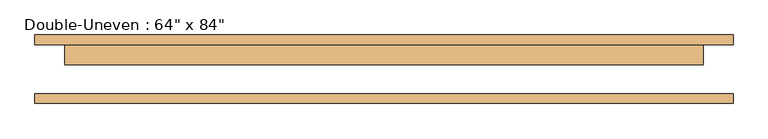
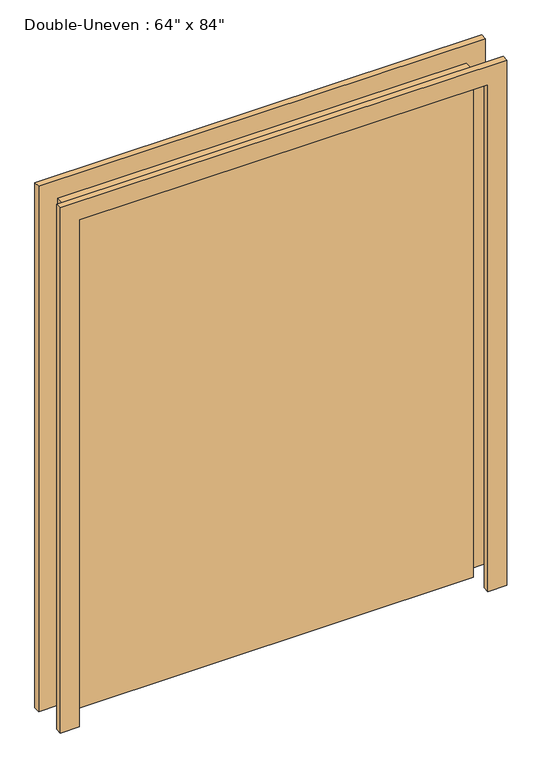
"""IFC4 building model written with IfcOpenShell, lengths in millimetres: door geometry."""

from ifc_helpers import new_model, si_unit, frame, origin, origin_with_axes, place, context, project, spatial, polyline, outline, extrude, source, transform, mapped, element, save


def door_8a62d2ca(model_context):
    return source(origin(), model_context, "Body", "SweptSolid", [
        extrude(outline(polyline([(101.6, 61.9125), (101.6, 11.1125), (-1524.0, 11.1125), (-1524.0, 61.9125), (101.6, 61.9125)])), origin_with_axes(), (0.0, 0.0, 1.0), 2133.6),
        extrude(outline(polyline([(2133.6, -1524.0), (2133.6, 101.6), (0.0, 101.6), (0.0, 177.8), (2209.8, 177.8), (2209.8, -1600.2), (0.0, -1600.2), (0.0, -1524.0), (2133.6, -1524.0)])), frame((0.0, -87.3125, 0.0), z_axis=(0.0, 1.0, 0.0), x_axis=(0.0, 0.0, 1.0)), (0.0, 0.0, 1.0), 25.4),
        extrude(outline(polyline([(2133.6, -1524.0), (2133.6, 101.6), (0.0, 101.6), (0.0, 177.8), (2209.8, 177.8), (2209.8, -1600.2), (0.0, -1600.2), (0.0, -1524.0), (2133.6, -1524.0)])), frame((0.0, 61.9125, 0.0), z_axis=(0.0, 1.0, 0.0), x_axis=(0.0, 0.0, 1.0)), (0.0, 0.0, 1.0), 25.4),
    ])


if __name__ == "__main__":
    model = new_model("IFC4")
    model_context = context("Model", 3, world=origin())
    ifc_project = project(units=[si_unit("LENGTHUNIT", "METRE", prefix="MILLI")], contexts=[model_context])
    site = spatial("IfcSite", under=ifc_project)
    building = spatial("IfcBuilding", under=site)
    placement = place(None, origin())
    door_shape = door_8a62d2ca(model_context)
    element("IfcDoor", 1, ObjectType="Double-Uneven : 64\" x 84\"", at=placement, inside=building, context=model_context, shape_type="MappedRepresentation", body=[
        mapped(door_shape, transform((0.0, 0.0, 0.0), x_axis=(1.0, 0.0, 0.0), y_axis=(0.0, 1.0, 0.0), z_axis=(0.0, 0.0, 1.0))),
    ])
    save(model, "model.ifc")
